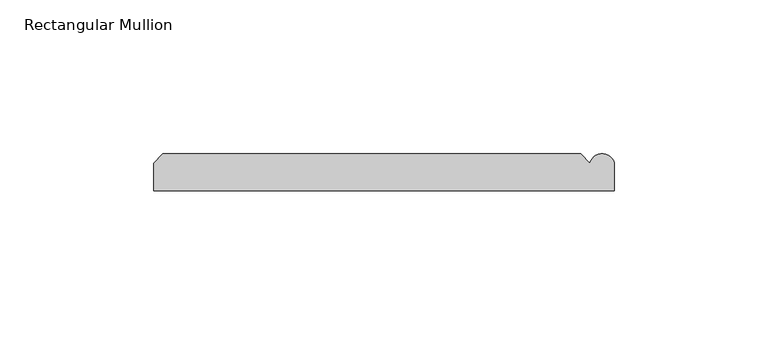
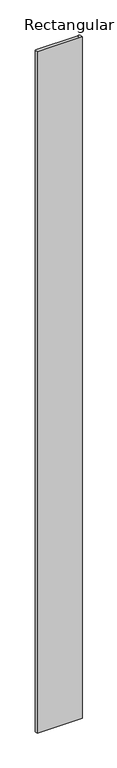
"""IFC4 building model written with IfcOpenShell, lengths in millimetres: member geometry, Rectangular Mullion."""

from ifc_helpers import new_model, si_unit, point, frame, frame_2d, origin, place, context, project, spatial, polyline, circle_curve, trimmed, segment, composite_curve, outline, extrude, source, transform, mapped, element, save


def rectangular_mullion_a79bc382(model_context):
    return source(origin(), model_context, "Body", "SweptSolid", [
        extrude(outline(composite_curve([segment(polyline([(63.9809918, 12.0), (66.9809918, 9.0)]), True, "CONTINUOUS"), segment(trimmed(circle_curve(frame_2d((70.9809918, 8.0)), 4.1231056), [point((66.9809918, 9.0))], [point((74.9809918, 9.0))], False, "CARTESIAN"), True, "CONTINUOUS"), segment(polyline([(74.9809918, 9.0), (74.9809918, 0.0), (-75.0190082, 0.0), (-75.0190082, 9.00681), (-72.0258182, 12.0), (63.9809918, 12.0)]), True, "CONTINUOUS")], self_intersect=False)), frame((0.0, 0.0, -2400.0), z_axis=(0.0, 0.0, 1.0), x_axis=(1.0, 0.0, 0.0)), (0.0, 0.0, 1.0), 2400.0),
    ])


if __name__ == "__main__":
    model = new_model("IFC4")
    model_context = context("Model", 3, world=origin())
    ifc_project = project(units=[si_unit("LENGTHUNIT", "METRE", prefix="MILLI")], contexts=[model_context])
    site = spatial("IfcSite", under=ifc_project)
    building = spatial("IfcBuilding", under=site)
    placement = place(None, origin())
    rectangular_mullion_shape = rectangular_mullion_a79bc382(model_context)
    element("IfcMember", 1, ObjectType="Rectangular Mullion", at=placement, inside=building, context=model_context, shape_type="MappedRepresentation", body=[
        mapped(rectangular_mullion_shape, transform((0.0, 0.0, 0.0), x_axis=(1.0, 0.0, 0.0), y_axis=(0.0, 1.0, 0.0), z_axis=(0.0, 0.0, 1.0))),
    ])
    save(model, "model.ifc")
